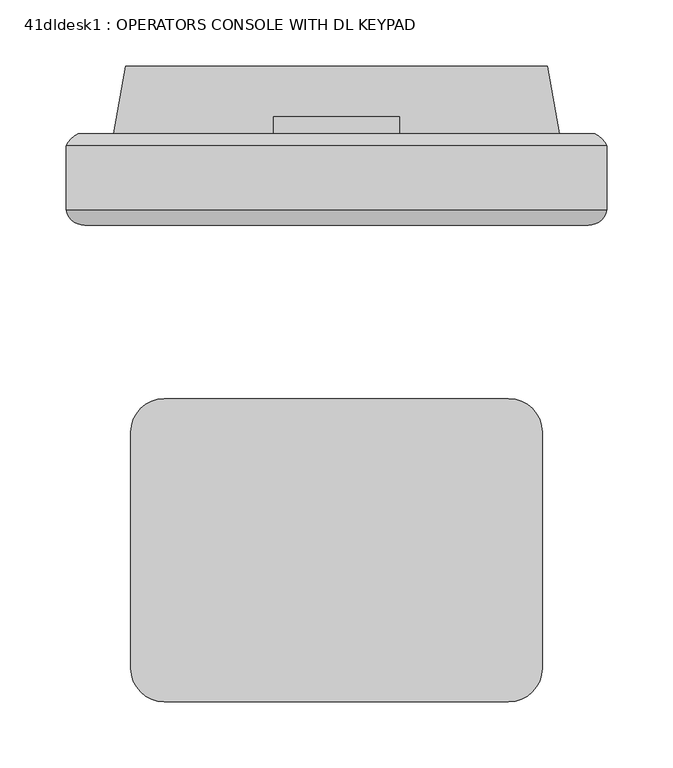
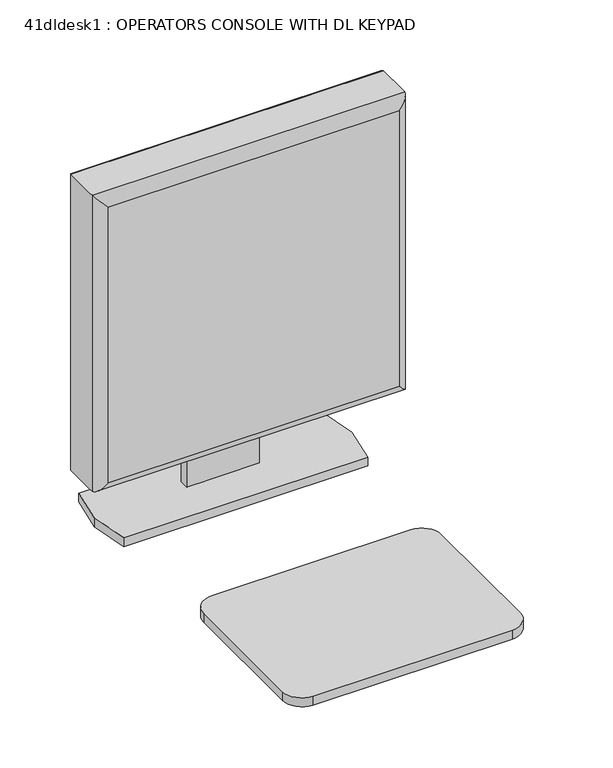
"""IFC4 building model written with IfcOpenShell, lengths in millimetres: proxy geometry, 41dldesk1 : OPERATORS CONSOLE WITH DL KEYPAD."""

from ifc_helpers import new_model, si_unit, point, frame, frame_2d, origin, place, context, project, spatial, polyline, circle_curve, ellipse_curve, trimmed, segment, composite_curve, outline, extrude, source, transform, mapped, element, save
from ifc_brep_helpers import plane_surface, cylinder_surface, advanced_brep


def proxy_41dldesk1_operators_console_with_dl_keypad_3598a06d(model_context):
    return source(origin(), model_context, "Body", "SolidModel", [
        advanced_brep(
        [(59.2673539, 266.6255441, 1419.86), (59.2673539, 223.4948635, 1419.86), (59.2673539, 218.4978207, 1419.86), (468.2073539, 218.4978207, 1419.86), (468.2073539, 223.4948635, 1419.86), (468.2073539, 266.6255441, 1419.86), (468.2073539, 266.6255441, 1010.2963264), (468.2073539, 223.4948635, 1010.2963264), (468.2073539, 218.4978207, 1010.2963264), (59.2673539, 218.4978207, 1010.2963264), (59.2673539, 223.4948635, 1010.2963264), (59.2673539, 266.6255441, 1010.2963264), (68.5049899, 275.8631801, 1019.5339624), (68.5049899, 275.8631801, 1410.622364), (458.969718, 275.8631801, 1410.622364), (458.969718, 275.8631801, 1019.5339624), (73.4315146, 206.6135032, 1405.694569), (73.4315146, 206.6135032, 1024.4617574), (454.0419229, 206.6135032, 1024.460487), (454.0431933, 206.6135032, 1405.694569)],
        [
            (0, 1),
            (1, 2),
            (2, 3),
            (3, 4),
            (4, 5),
            (5, 0),
            (6, 7),
            (7, 8),
            (8, 9),
            (9, 10),
            (10, 11),
            (11, 6),
            (12, 13),
            (13, 14),
            (14, 15),
            (15, 12),
            (0, 11),
            (9, 2),
            (16, 17),
            (17, 18),
            (18, 19),
            (19, 16),
            (3, 8),
            (6, 5),
            (12, 11, ellipse_curve(frame((75.3820422, 259.7484918, 1026.4110147), z_axis=(-0.7071067811865452, 0.0, 0.7071067811865498), x_axis=(-0.7071067811865498, 0.0, -0.7071067811865452)), 24.7780962, 17.5207599)),
            (0, 13, ellipse_curve(frame((75.3820422, 259.7484918, 1403.7453117), z_axis=(-0.7071067811865498, 0.0, -0.7071067811865452), x_axis=(0.7071067811865452, 0.0, -0.7071067811865498)), 24.7780962, 17.5207599)),
            (16, 2, ellipse_curve(frame((73.4315146, 220.9963421, 1405.6958394), z_axis=(-0.7071067811865498, 0.0, -0.7071067811865452), x_axis=(0.7071067811865452, 0.0, -0.7071067811865498)), 20.3404059, 14.3828389)),
            (9, 17, ellipse_curve(frame((73.4315146, 220.9963421, 1024.460487), z_axis=(-0.7071067811865452, 0.0, 0.7071067811865498), x_axis=(-0.7071067811865498, 0.0, -0.7071067811865452)), 20.3404059, 14.3828389)),
            (15, 6, ellipse_curve(frame((452.0926657, 259.7484918, 1026.4110147), z_axis=(-0.7071067811865498, 0.0, -0.7071067811865452), x_axis=(0.7071067811865452, 0.0, -0.7071067811865497)), 24.7780962, 17.5207599)),
            (8, 18, ellipse_curve(frame((454.0431933, 220.9963421, 1024.460487), z_axis=(-0.7071067811865498, 0.0, -0.7071067811865452), x_axis=(0.7071067811865452, 0.0, -0.7071067811865497)), 20.3404059, 14.3828389)),
            (14, 5, ellipse_curve(frame((452.0926657, 259.7484918, 1403.7453117), z_axis=(0.7071067811865452, 0.0, -0.7071067811865498), x_axis=(0.7071067811865498, 0.0, 0.7071067811865452)), 24.7780962, 17.5207599)),
            (3, 19, ellipse_curve(frame((454.0431933, 220.9963421, 1405.6958394), z_axis=(0.7071067811865452, 0.0, -0.7071067811865498), x_axis=(0.7071067811865498, 0.0, 0.7071067811865452)), 20.3404059, 14.3828389)),
        ],
        [
            plane_surface(frame((64.3473539, 275.8631801, 1419.86), z_axis=(0.0, 0.0, 1.0), x_axis=(-1.0, 0.0, 0.0))),
            plane_surface(frame((64.3473539, 275.8631801, 1010.2963264), z_axis=(0.0, 0.0, -1.0), x_axis=(1.0, 0.0, 0.0))),
            plane_surface(frame((468.2073539, 275.8631801, 1419.86), z_axis=(0.0, 1.0, 0.0), x_axis=(0.0, 0.0, -1.0))),
            plane_surface(frame((59.2673539, 275.8631801, 1419.86), z_axis=(-1.0, 0.0, 0.0), x_axis=(0.0, 0.0, -1.0))),
            plane_surface(frame((59.2673539, 206.6135032, 1419.86), z_axis=(0.0, -1.0, 0.0), x_axis=(0.0, 0.0, -1.0))),
            plane_surface(frame((468.2073539, 206.6135032, 1419.86), z_axis=(1.0, 0.0, 0.0), x_axis=(0.0, 0.0, -1.0))),
            cylinder_surface(frame((75.3820422, 259.7484918, 1419.86), z_axis=(0.0, 0.0, -1.0), x_axis=(0.0, 1.0, 0.0)), 17.5207599),
            cylinder_surface(frame((73.4315146, 220.9963421, 1419.86), z_axis=(0.0, 0.0, -1.0), x_axis=(0.0, 1.0, 0.0)), 14.3828389),
            cylinder_surface(frame((59.2673539, 259.7484918, 1026.4110147), z_axis=(1.0, 0.0, 0.0), x_axis=(0.0, 1.0, 0.0)), 17.5207599),
            cylinder_surface(frame((59.2673539, 220.9963421, 1024.460487), z_axis=(1.0, 0.0, 0.0), x_axis=(0.0, 1.0, 0.0)), 14.3828389),
            cylinder_surface(frame((452.0926657, 259.7484918, 1010.2963264), z_axis=(0.0, 0.0, 1.0), x_axis=(0.0, 1.0, 0.0)), 17.5207599),
            cylinder_surface(frame((454.0431933, 220.9963421, 1010.2963264), z_axis=(0.0, 0.0, 1.0), x_axis=(0.0, 1.0, 0.0)), 14.3828389),
            cylinder_surface(frame((468.2073539, 259.7484918, 1403.7453117), z_axis=(-1.0, 0.0, 0.0), x_axis=(0.0, 1.0, 0.0)), 17.5207599),
            cylinder_surface(frame((468.2073539, 220.9963421, 1405.6958394), z_axis=(-1.0, 0.0, 0.0), x_axis=(0.0, 1.0, 0.0)), 14.3828389),
        ],
        [
            (0, [[1, 2, 3, 4, 5, 6]]),
            (1, [[7, 8, 9, 10, 11, 12]]),
            (2, [[13, 14, 15, 16]]),
            (3, [[-1, 17, -11, -10, 18, -2]]),
            (4, [[19, 20, 21, 22]]),
            (5, [[-5, -4, 23, -8, -7, 24]]),
            (6, [[25, -17, 26, -13]]),
            (7, [[27, -18, 28, -19]]),
            (8, [[-25, -16, 29, -12]]),
            (9, [[30, -20, -28, -9]]),
            (10, [[-29, -15, 31, -24]]),
            (11, [[32, -21, -30, -23]]),
            (12, [[-26, -6, -31, -14]]),
            (13, [[-27, -22, -32, -3]]),
        ],
    ),
        extrude(outline(polyline([(84.6673539, 212.5272823), (442.8073539, 212.5272823), (442.8073539, 206.6135032), (84.6673539, 206.6135032), (84.6673539, 212.5272823)])), frame((0.0, 0.0, 1035.6963264), z_axis=(0.0, 0.0, 1.0), x_axis=(1.0, 0.0, 0.0)), (0.0, 0.0, 1.0), 358.7636736),
        extrude(outline(polyline([(275.8631801, 1236.2794056), (288.5443513, 1236.2794056), (288.5443513, 926.6153731), (275.8631801, 926.6153731), (275.8631801, 1006.8339624), (278.6004125, 1006.8339624), (278.6004125, 1019.5339624), (275.8631801, 1019.5339624), (275.8631801, 1236.2794056)])), frame((216.1123539, 0.0, 0.0), z_axis=(1.0, 0.0, 0.0), x_axis=(0.0, 1.0, 0.0)), (0.0, 0.0, 1.0), 95.25),
        extrude(outline(polyline([(95.0813539, 275.8631801), (104.2253539, 326.9171801), (423.2493539, 326.9171801), (432.3933539, 275.8631801), (423.2493539, 224.8091801), (104.2253539, 224.8091801), (95.0813539, 275.8631801)])), frame((0.0, 0.0, 914.4), z_axis=(0.0, 0.0, 1.0), x_axis=(1.0, 0.0, 0.0)), (0.0, 0.0, 1.0), 12.2153731),
        extrude(outline(composite_curve([segment(trimmed(circle_curve(frame_2d((393.9122527, 50.3880215)), 25.4), [point((393.9123539, 75.7880215))], [point((419.3122527, 50.3879203))], False, "CARTESIAN"), True, "CONTINUOUS"), segment(polyline([(419.3122527, 50.3879203), (419.3115418, -127.9857944)]), True, "CONTINUOUS"), segment(trimmed(circle_curve(frame_2d((393.9115418, -127.9856931)), 25.4), [point((419.3115418, -127.9857944))], [point((393.9114406, -153.3856931))], False, "CARTESIAN"), True, "CONTINUOUS"), segment(polyline([(393.9114406, -153.3856931), (133.5614406, -153.3846555)]), True, "CONTINUOUS"), segment(trimmed(circle_curve(frame_2d((133.5615418, -127.9846555)), 25.4), [point((133.5614406, -153.3846555))], [point((108.1615418, -127.9845543))], False, "CARTESIAN"), True, "CONTINUOUS"), segment(polyline([(108.1615418, -127.9845543), (108.1622527, 50.3891604)]), True, "CONTINUOUS"), segment(trimmed(circle_curve(frame_2d((133.5622527, 50.3890591)), 25.4), [point((108.1622527, 50.3891604))], [point((133.5623539, 75.7890591))], False, "CARTESIAN"), True, "CONTINUOUS"), segment(polyline([(133.5623539, 75.7890591), (393.9123539, 75.7880215)]), True, "CONTINUOUS")], self_intersect=False)), frame((0.0, 0.0, 914.4), z_axis=(0.0, 0.0, 1.0), x_axis=(1.0, 0.0, 0.0)), (0.0, 0.0, 1.0), 12.2153731),
    ])


if __name__ == "__main__":
    model = new_model("IFC4")
    model_context = context("Model", 3, world=origin())
    ifc_project = project(units=[si_unit("LENGTHUNIT", "METRE", prefix="MILLI")], contexts=[model_context])
    site = spatial("IfcSite", under=ifc_project)
    building = spatial("IfcBuilding", under=site)
    placement = place(None, origin())
    proxy_41dldesk1_operators_console_with_dl_keypad_shape = proxy_41dldesk1_operators_console_with_dl_keypad_3598a06d(model_context)
    element("IfcBuildingElementProxy", 1, Name="41dldesk1 : OPERATORS CONSOLE WITH DL KEYPAD", ObjectType="41dldesk1 : OPERATORS CONSOLE WITH DL KEYPAD", at=placement, inside=building, context=model_context, shape_type="MappedRepresentation", body=[
        mapped(proxy_41dldesk1_operators_console_with_dl_keypad_shape, transform((0.0, 0.0, 0.0), x_axis=(1.0, 0.0, 0.0), y_axis=(0.0, 1.0, 0.0), z_axis=(0.0, 0.0, 1.0))),
    ])
    save(model, "model.ifc")
